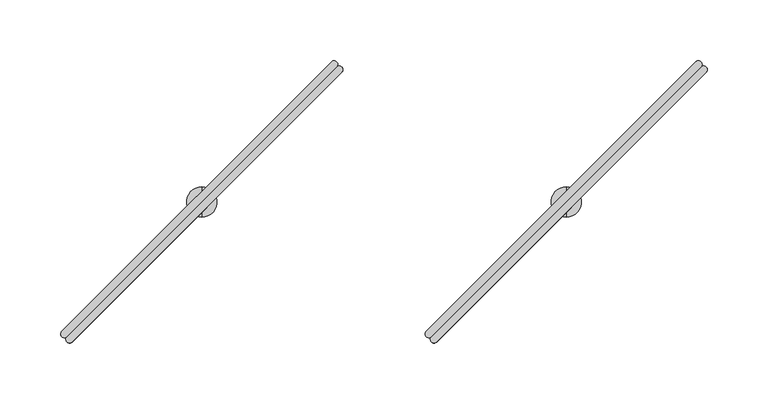
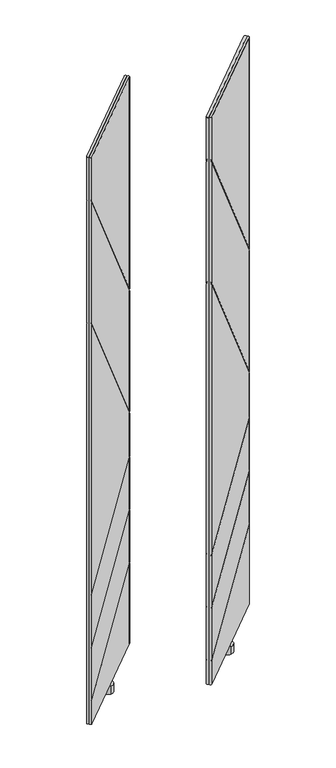
"""IFC4 building model written with IfcOpenShell, lengths in millimetres: furniture geometry."""

from ifc_helpers import new_model, si_unit, frame, origin, place, context, project, spatial, circle_curve, ellipse_curve, source, transform, mapped, element, save
from ifc_brep_helpers import plane_surface, cylinder_surface, advanced_brep


def furniture_7888ab4c(model_context):
    return source(origin(), model_context, "Body", "AdvancedBrep", [
        advanced_brep(
        [(489.0781344, -183.0476726, 1580.8579983), (711.0420147, 39.0094149, 1580.8579983), (706.8263161, 43.2234083, 1580.8579983), (484.81456, -178.7849606, 1580.8579983), (489.0781344, -183.0476726, 80.7339983), (484.81456, -178.7849606, 80.7339983), (706.8263161, 43.2234083, 80.7339983), (711.0420147, 39.0094149, 80.7339983), (484.81456, -178.7849606, 1465.6098628), (484.3106978, -182.380027, 1469.7173437), (484.3106978, -182.380027, 1464.166375), (484.81456, -178.7849606, 1460.0588941), (484.81456, -178.7849606, 1141.5813803), (484.3106978, -182.380027, 1145.6879231), (484.3106978, -182.380027, 1140.1378008), (484.81456, -178.7849606, 1136.031258), (484.81456, -178.7849606, 427.6020429), (484.3106978, -182.380027, 426.2337165), (484.3106978, -182.380027, 422.694591), (484.81456, -178.7849606, 424.0629174), (484.81456, -178.7849606, 287.4388163), (484.3106978, -182.380027, 286.0703439), (484.3106978, -182.380027, 282.5311496), (484.81456, -178.7849606, 283.899622), (484.81456, -178.7849606, 147.2371613), (484.3106978, -182.380027, 145.8687302), (484.3106978, -182.380027, 142.3295554), (484.81456, -178.7849606, 143.6979865), (706.8263161, 43.2234083, 1020.6632991), (706.8263161, 43.2234083, 291.9345147), (706.8263161, 43.2234083, 1015.1123304), (706.8263161, 43.2234083, 696.7364411), (706.8263161, 43.2234083, 691.1863188), (706.8263161, 43.2234083, 575.8272317), (706.8263161, 43.2234083, 572.2881062), (706.8263161, 43.2234083, 435.6798128), (706.8263161, 43.2234083, 432.1406185), (706.8263161, 43.2234083, 295.4736895), (710.3498612, 43.6591364, 293.2563217), (710.3498612, 43.6591364, 296.7954965), (710.3498612, 43.6591364, 433.4624654), (710.3498612, 43.6591364, 437.0016597), (710.3498612, 43.6591364, 573.6098121), (710.3498612, 43.6591364, 577.1489377), (710.3498612, 43.6591364, 687.2196908), (710.3498612, 43.6591364, 692.7698131), (710.3498612, 43.6591364, 1011.1447962), (710.3498612, 43.6591364, 1016.6957649)],
        [
            (0, 1),
            (1, 2, circle_curve(frame((708.8820345, 41.0642596, 1580.8579983), z_axis=(0.0, 0.0, 1.0), x_axis=(0.6892541380737184, 0.724519656840486, 0.0)), 2.9812584)),
            (2, 3),
            (3, 0, circle_curve(frame((486.9461154, -180.9165485, 1580.8579983), z_axis=(0.0, 0.0, 1.0), x_axis=(-0.7071121751659861, -0.7071013871659622, 0.0)), 3.0144975)),
            (4, 5, circle_curve(frame((486.9461154, -180.9165485, 80.7339983), z_axis=(0.0, 0.0, -1.0), x_axis=(-0.7071121751659861, -0.7071013871659622, 0.0)), 3.0144975)),
            (5, 6),
            (6, 7, circle_curve(frame((708.8820345, 41.0642596, 80.7339983), z_axis=(0.0, 0.0, -1.0), x_axis=(0.6892541380737184, 0.724519656840486, 0.0)), 2.9812584)),
            (7, 4),
            (3, 8),
            (8, 9, ellipse_curve(frame((486.9461154, -180.9165485, 1465.6098953), z_axis=(0.577750975804524, 0.5777509758045234, 0.576548020475174), x_axis=(-0.40768101495767617, -0.4076810149576757, 0.817063265657047)), 5.2285281, 3.0144975)),
            (9, 10),
            (10, 11, ellipse_curve(frame((486.9461154, -180.9165485, 1460.0589267), z_axis=(-0.577750975804524, -0.5777509758045234, -0.576548020475174), x_axis=(-0.40768101495767617, -0.4076810149576757, 0.817063265657047)), 5.2285281, 3.0144975)),
            (11, 12),
            (12, 13, ellipse_curve(frame((486.9461154, -180.9165485, 1141.5814129), z_axis=(0.5777071023563686, 0.577707102356368, 0.576635940411294), x_axis=(-0.4077431837407081, -0.4077431837407078, 0.8170012192316377)), 5.2277309, 3.0144975)),
            (13, 14),
            (14, 15, ellipse_curve(frame((486.9461154, -180.9165485, 1136.0312905), z_axis=(-0.5777071023563686, -0.5777071023563679, -0.5766359404112942), x_axis=(-0.40774318374070834, -0.40774318374070784, 0.8170012192316375)), 5.2277309, 3.0144975)),
            (15, 16),
            (16, 17, ellipse_curve(frame((486.9461154, -180.9165485, 427.6020321), z_axis=(-0.3018753516577264, -0.3018753516577261, 0.9042911832607062), x_axis=(0.6394304278508526, 0.6394304278508519, 0.42691621646050404)), 3.3335474, 3.0144975)),
            (17, 18),
            (18, 19, ellipse_curve(frame((486.9461154, -180.9165485, 424.0629066), z_axis=(0.3018753516577265, 0.30187535165772633, -0.9042911832607061), x_axis=(0.6394304278508526, 0.6394304278508522, 0.4269162164605042)), 3.3335474, 3.0144975)),
            (19, 20),
            (20, 21, ellipse_curve(frame((486.9461154, -180.9165485, 287.4388054), z_axis=(-0.3019016772725295, -0.3019016772725292, 0.9042736060065379), x_axis=(0.6394179988552356, 0.6394179988552351, 0.4269534465019956)), 3.3336122, 3.0144975)),
            (21, 22),
            (22, 23, ellipse_curve(frame((486.9461154, -180.9165485, 283.8996111), z_axis=(0.3019016772725295, 0.30190167727252887, -0.9042736060065379), x_axis=(0.639417998855236, 0.6394179988552348, 0.42695344650199585)), 3.3336122, 3.0144975)),
            (23, 24),
            (24, 25, ellipse_curve(frame((486.9461154, -180.9165485, 147.2371505), z_axis=(-0.30189423598003035, -0.30189423598003007, 0.9042785746461471), x_axis=(0.6394215122139965, 0.6394215122139959, 0.4269429229252227)), 3.3335939, 3.0144975)),
            (25, 26),
            (26, 27, ellipse_curve(frame((486.9461154, -180.9165485, 143.6979756), z_axis=(0.30189423598002996, 0.3018942359800298, -0.9042785746461475), x_axis=(0.6394215122139967, 0.6394215122139962, 0.4269429229252216)), 3.3335939, 3.0144975)),
            (27, 5),
            (4, 0),
            (2, 28),
            (28, 8),
            (27, 29),
            (29, 6),
            (11, 30),
            (30, 31),
            (31, 12),
            (15, 32),
            (32, 33),
            (33, 16),
            (19, 34),
            (34, 35),
            (35, 20),
            (23, 36),
            (36, 37),
            (37, 24),
            (1, 7),
            (29, 38, ellipse_curve(frame((708.8820345, 41.0642596, 291.8999843), z_axis=(0.30189423598002996, 0.3018942359800298, -0.9042785746461475), x_axis=(0.6394215122139967, 0.6394215122139962, 0.4269429229252216)), 3.2968362, 2.9812584)),
            (38, 39),
            (39, 37, ellipse_curve(frame((708.8820345, 41.0642596, 295.4391592), z_axis=(-0.30189423598003035, -0.30189423598003007, 0.9042785746461471), x_axis=(0.6394215122139965, 0.6394215122139959, 0.4269429229252227)), 3.2968362, 2.9812584)),
            (36, 40, ellipse_curve(frame((708.8820345, 41.0642596, 432.1060871), z_axis=(0.3019016772725295, 0.30190167727252887, -0.9042736060065379), x_axis=(0.639417998855236, 0.6394179988552348, 0.42695344650199585)), 3.2968543, 2.9812584)),
            (40, 41),
            (41, 35, ellipse_curve(frame((708.8820345, 41.0642596, 435.6452814), z_axis=(-0.3019016772725295, -0.3019016772725292, 0.9042736060065379), x_axis=(0.6394179988552356, 0.6394179988552351, 0.4269534465019956)), 3.2968543, 2.9812584)),
            (34, 42, ellipse_curve(frame((708.8820345, 41.0642596, 572.2535785), z_axis=(0.3018753516577265, 0.30187535165772633, -0.9042911832607061), x_axis=(0.6394304278508526, 0.6394304278508522, 0.4269162164605042)), 3.2967902, 2.9812584)),
            (42, 43),
            (43, 33, ellipse_curve(frame((708.8820345, 41.0642596, 575.7927041), z_axis=(-0.3018753516577264, -0.3018753516577261, 0.9042911832607062), x_axis=(0.6394304278508526, 0.6394304278508519, 0.42691621646050404)), 3.2967902, 2.9812584)),
            (32, 44, ellipse_curve(frame((708.8820345, 41.0642596, 691.2899413), z_axis=(-0.5777071023563686, -0.5777071023563679, -0.5766359404112942), x_axis=(-0.40774318374070834, -0.40774318374070784, 0.8170012192316375)), 5.1700876, 2.9812584)),
            (44, 45),
            (45, 31, ellipse_curve(frame((708.8820345, 41.0642596, 696.8400637), z_axis=(0.5777071023563686, 0.577707102356368, 0.576635940411294), x_axis=(-0.4077431837407081, -0.4077431837407078, 0.8170012192316377)), 5.1700876, 2.9812584)),
            (30, 46, ellipse_curve(frame((708.8820345, 41.0642596, 1015.2159766), z_axis=(-0.577750975804524, -0.5777509758045234, -0.576548020475174), x_axis=(-0.40768101495767617, -0.4076810149576757, 0.817063265657047)), 5.1708761, 2.9812584)),
            (46, 47),
            (47, 28, ellipse_curve(frame((708.8820345, 41.0642596, 1020.7669453), z_axis=(0.577750975804524, 0.5777509758045234, 0.576548020475174), x_axis=(-0.40768101495767617, -0.4076810149576757, 0.817063265657047)), 5.1708761, 2.9812584)),
            (46, 10),
            (9, 47),
            (44, 14),
            (13, 45),
            (17, 43),
            (42, 18),
            (40, 22),
            (21, 41),
            (38, 26),
            (25, 39),
        ],
        [
            plane_surface(frame((597.9402563, -69.8999525, 1580.8579983), z_axis=(0.0, 0.0, 1.0000000000000002), x_axis=(0.7069583324882522, 0.7072551987263367, 0.0))),
            plane_surface(frame((597.9402563, -69.8999525, 80.7339983), z_axis=(0.0, 0.0, -1.0000000000000002), x_axis=(0.7069583324882522, 0.7072551987263367, 0.0))),
            cylinder_surface(frame((486.9461154, -180.9165485, 80.7339983), z_axis=(0.0, 0.0, 1.0), x_axis=(-0.7071121751659861, -0.7071013871659622, 0.0)), 3.0144975),
            plane_surface(frame((595.8204381, -67.7807761, 80.7339983), z_axis=(-0.7071013871659615, 0.7071121751659868, 0.0), x_axis=(-0.7071121751659868, -0.7071013871659615, 0.0))),
            cylinder_surface(frame((708.8820345, 41.0642596, 80.7339983), z_axis=(0.0, 0.0, 1.0), x_axis=(0.6892541380737184, 0.724519656840486, 0.0)), 2.9812584),
            plane_surface(frame((600.0600746, -72.0191288, 80.7339983), z_axis=(0.7072551987263367, -0.7069583324882522, 0.0), x_axis=(0.7069583324882522, 0.7072551987263367, 0.0))),
            plane_surface(frame((724.7313456, 58.0406208, 1930.8164788), z_axis=(-0.7071067811865472, 0.707106781186548, 0.0), x_axis=(0.0, 0.0, 1.0))),
            plane_surface(frame((450.3464654, -176.8311325, 1498.1919696), z_axis=(-0.577750975804524, -0.5777509758045234, -0.576548020475174), x_axis=(0.7071067811865472, -0.7071067811865479, 0.0))),
            plane_surface(frame((704.9747821, 77.7971843, 982.3218141), z_axis=(0.577750975804524, 0.5777509758045234, 0.576548020475174), x_axis=(0.7071067811865472, -0.7071067811865479, 0.0))),
            plane_surface(frame((450.3464654, -176.8311325, 1174.1560454), z_axis=(-0.5777071023563686, -0.577707102356368, -0.576635940411294), x_axis=(0.7071067811865472, -0.7071067811865479, 0.0))),
            plane_surface(frame((704.9747821, 77.7971843, 658.4032918), z_axis=(0.5777071023563686, 0.5777071023563679, 0.5766359404112942), x_axis=(0.7071067811865471, -0.707106781186548, 0.0))),
            plane_surface(frame((704.9747821, 77.7971843, 583.2116212), z_axis=(-0.3018753516577265, -0.30187535165772633, 0.9042911832607061), x_axis=(0.7071067811865474, -0.7071067811865477, 0.0))),
            plane_surface(frame((450.3464654, -176.8311325, 416.7479554), z_axis=(0.30187535165772644, 0.30187535165772617, -0.9042911832607065), x_axis=(0.7071067811865472, -0.7071067811865479, 0.0))),
            plane_surface(frame((450.3464654, -176.8311325, 276.5835712), z_axis=(0.3019016772725295, 0.3019016772725292, -0.9042736060065379), x_axis=(0.7071067811865472, -0.7071067811865479, 0.0))),
            plane_surface(frame((704.9747821, 77.7971843, 443.0652984), z_axis=(-0.3019016772725295, -0.30190167727252887, 0.9042736060065379), x_axis=(0.7071067811865468, -0.7071067811865482, 0.0))),
            plane_surface(frame((450.3464654, -176.8311325, 136.3822435), z_axis=(0.3018942359800304, 0.3018942359800301, -0.9042785746461474), x_axis=(0.7071067811865472, -0.7071067811865479, 0.0))),
            plane_surface(frame((704.9747821, 77.7971843, 302.8588653), z_axis=(-0.30189423598002996, -0.3018942359800298, 0.9042785746461475), x_axis=(0.7071067811865474, -0.7071067811865477, 0.0))),
        ],
        [
            (0, [[1, 2, 3, 4]]),
            (1, [[5, 6, 7, 8]]),
            (2, [[-4, 9, 10, 11, 12, 13, 14, 15, 16, 17, 18, 19, 20, 21, 22, 23, 24, 25, 26, 27, 28, 29, -5, 30]]),
            (3, [[-3, 31, 32, -9]]),
            (3, [[-6, -29, 33, 34]]),
            (3, [[-13, 35, 36, 37]]),
            (3, [[-17, 38, 39, 40]]),
            (3, [[-21, 41, 42, 43]]),
            (3, [[-25, 44, 45, 46]]),
            (4, [[-2, 47, -7, -34, 48, 49, 50, -45, 51, 52, 53, -42, 54, 55, 56, -39, 57, 58, 59, -36, 60, 61, 62, -31]]),
            (5, [[-1, -30, -8, -47]]),
            (6, [[63, -11, 64, -61]]),
            (6, [[65, -15, 66, -58]]),
            (6, [[67, -55, 68, -19]]),
            (6, [[69, -23, 70, -52]]),
            (6, [[71, -27, 72, -49]]),
            (7, [[-64, -10, -32, -62]]),
            (8, [[-63, -60, -35, -12]]),
            (9, [[-66, -14, -37, -59]]),
            (10, [[-65, -57, -38, -16]]),
            (11, [[-68, -54, -41, -20]]),
            (12, [[-67, -18, -40, -56]]),
            (13, [[-70, -22, -43, -53]]),
            (14, [[-69, -51, -44, -24]]),
            (15, [[-72, -26, -46, -50]]),
            (16, [[-71, -48, -33, -28]]),
        ],
    ),
        advanced_brep(
        [(489.0388266, -183.0083649, 1580.8579983), (493.3015387, -187.2719392, 1580.8579983), (715.3099076, 34.7398168, 1580.8579983), (711.0959142, 38.9555155, 1580.8579983), (489.0388267, -183.0083649, 80.7339983), (711.0959142, 38.9555155, 80.7339983), (715.3099076, 34.7398168, 80.7339983), (493.3015387, -187.2719392, 80.7339983), (493.3015387, -187.2719392, 143.6979865), (489.7064723, -187.7758015, 142.3295554), (489.7064723, -187.7758015, 145.8687302), (493.3015387, -187.2719392, 147.2371613), (493.3015387, -187.2719392, 283.899622), (489.7064723, -187.7758015, 282.5311496), (489.7064723, -187.7758015, 286.0703439), (493.3015387, -187.2719392, 287.4388163), (493.3015387, -187.2719392, 424.0629174), (489.7064723, -187.7758015, 422.694591), (489.7064723, -187.7758015, 426.2337165), (493.3015387, -187.2719392, 427.6020429), (493.3015387, -187.2719392, 1136.031258), (489.7064723, -187.7758015, 1140.1378008), (489.7064723, -187.7758015, 1145.6879231), (493.3015387, -187.2719392, 1141.5813803), (493.3015387, -187.2719392, 1460.0588941), (489.7064723, -187.7758015, 1464.166375), (489.7064723, -187.7758015, 1469.7173437), (493.3015387, -187.2719392, 1465.6098628), (715.3099076, 34.7398168, 295.4736895), (715.3099076, 34.7398168, 432.1406185), (715.3099076, 34.7398168, 435.6798128), (715.3099076, 34.7398168, 572.2881062), (715.3099076, 34.7398168, 575.8272317), (715.3099076, 34.7398168, 691.1863188), (715.3099076, 34.7398168, 696.7364411), (715.3099076, 34.7398168, 1015.1123304), (715.3099076, 34.7398168, 1020.6632991), (715.3099076, 34.7398168, 291.9345147), (715.7456357, 38.263362, 1016.6957649), (715.7456357, 38.263362, 1011.1447962), (715.7456357, 38.263362, 692.7698131), (715.7456357, 38.263362, 687.2196908), (715.7456357, 38.263362, 577.1489377), (715.7456357, 38.263362, 573.6098121), (715.7456357, 38.263362, 437.0016597), (715.7456357, 38.263362, 433.4624654), (715.7456357, 38.263362, 296.7954965), (715.7456357, 38.263362, 293.2563217)],
        [
            (0, 1, circle_curve(frame((491.1699508, -185.1403839, 1580.8579983), z_axis=(0.0, 0.0, 1.0), x_axis=(-0.7072551987263337, -0.7069583324882551, 0.0)), 3.0144975)),
            (1, 2),
            (2, 3, circle_curve(frame((713.1507589, 36.7955352, 1580.8579983), z_axis=(0.0, 0.0, 1.0), x_axis=(0.6895472047235311, 0.7242407420588576, 0.0)), 2.9812584)),
            (3, 0),
            (4, 5),
            (5, 6, circle_curve(frame((713.1507589, 36.7955352, 80.7339983), z_axis=(0.0, 0.0, -1.0), x_axis=(0.6895472047235311, 0.7242407420588576, 0.0)), 2.9812584)),
            (6, 7),
            (7, 4, circle_curve(frame((491.1699508, -185.1403839, 80.7339983), z_axis=(0.0, 0.0, -1.0), x_axis=(-0.7072551987263337, -0.7069583324882551, 0.0)), 3.0144975)),
            (0, 4),
            (7, 8),
            (8, 9, ellipse_curve(frame((491.1699508, -185.1403839, 143.6979756), z_axis=(0.3018942359800301, 0.3018942359800296, -0.9042785746461475), x_axis=(0.6394215122139969, 0.6394215122139959, 0.4269429229252216)), 3.3335939, 3.0144975)),
            (9, 10),
            (10, 11, ellipse_curve(frame((491.1699508, -185.1403839, 147.2371505), z_axis=(-0.30189423598003046, -0.3018942359800299, 0.9042785746461472), x_axis=(0.639421512213997, 0.6394215122139958, 0.42694292292522235)), 3.3335939, 3.0144975)),
            (11, 12),
            (12, 13, ellipse_curve(frame((491.1699508, -185.1403839, 283.8996111), z_axis=(0.3019016772725294, 0.3019016772725289, -0.9042736060065379), x_axis=(0.6394179988552359, 0.6394179988552348, 0.4269534465019958)), 3.3336122, 3.0144975)),
            (13, 14),
            (14, 15, ellipse_curve(frame((491.1699508, -185.1403839, 287.4388054), z_axis=(-0.30190167727252964, -0.3019016772725291, 0.9042736060065377), x_axis=(0.6394179988552356, 0.6394179988552345, 0.42695344650199624)), 3.3336122, 3.0144975)),
            (15, 16),
            (16, 17, ellipse_curve(frame((491.1699508, -185.1403839, 424.0629066), z_axis=(0.3018753516577267, 0.3018753516577262, -0.9042911832607062), x_axis=(0.6394304278508529, 0.6394304278508518, 0.42691621646050376)), 3.3335474, 3.0144975)),
            (17, 18),
            (18, 19, ellipse_curve(frame((491.1699508, -185.1403839, 427.6020321), z_axis=(-0.3018753516577265, -0.30187535165772594, 0.9042911832607062), x_axis=(0.6394304278508529, 0.6394304278508517, 0.42691621646050404)), 3.3335474, 3.0144975)),
            (19, 20),
            (20, 21, ellipse_curve(frame((491.1699508, -185.1403839, 1136.0312905), z_axis=(-0.5777071023563687, -0.5777071023563677, -0.5766359404112942), x_axis=(-0.40774318374070845, -0.4077431837407077, 0.8170012192316376)), 5.2277309, 3.0144975)),
            (21, 22),
            (22, 23, ellipse_curve(frame((491.1699508, -185.1403839, 1141.5814129), z_axis=(0.5777071023563689, 0.5777071023563678, 0.576635940411294), x_axis=(-0.4077431837407084, -0.40774318374070756, 0.8170012192316377)), 5.2277309, 3.0144975)),
            (23, 24),
            (24, 25, ellipse_curve(frame((491.1699508, -185.1403839, 1460.0589267), z_axis=(-0.5777509758045232, -0.5777509758045242, -0.5765480204751738), x_axis=(-0.40768101495767556, -0.4076810149576762, 0.8170632656570472)), 5.2285281, 3.0144975)),
            (25, 26),
            (26, 27, ellipse_curve(frame((491.1699508, -185.1403839, 1465.6098953), z_axis=(0.5777509758045243, 0.5777509758045233, 0.5765480204751738), x_axis=(-0.4076810149576763, -0.4076810149576756, 0.8170632656570472)), 5.2285281, 3.0144975)),
            (27, 1),
            (11, 28),
            (28, 29),
            (29, 12),
            (15, 30),
            (30, 31),
            (31, 16),
            (19, 32),
            (32, 33),
            (33, 20),
            (23, 34),
            (34, 35),
            (35, 24),
            (27, 36),
            (36, 2),
            (6, 37),
            (37, 8),
            (36, 38, ellipse_curve(frame((713.1507589, 36.7955352, 1020.7669453), z_axis=(0.5777509758045243, 0.5777509758045233, 0.5765480204751738), x_axis=(-0.4076810149576763, -0.4076810149576756, 0.8170632656570472)), 5.1708761, 2.9812584)),
            (38, 39),
            (39, 35, ellipse_curve(frame((713.1507589, 36.7955352, 1015.2159766), z_axis=(-0.5777509758045232, -0.5777509758045242, -0.5765480204751738), x_axis=(-0.40768101495767556, -0.4076810149576762, 0.8170632656570472)), 5.1708761, 2.9812584)),
            (34, 40, ellipse_curve(frame((713.1507589, 36.7955352, 696.8400637), z_axis=(0.5777071023563689, 0.5777071023563678, 0.576635940411294), x_axis=(-0.4077431837407084, -0.40774318374070756, 0.8170012192316377)), 5.1700876, 2.9812584)),
            (40, 41),
            (41, 33, ellipse_curve(frame((713.1507589, 36.7955352, 691.2899413), z_axis=(-0.5777071023563687, -0.5777071023563677, -0.5766359404112942), x_axis=(-0.40774318374070845, -0.4077431837407077, 0.8170012192316376)), 5.1700876, 2.9812584)),
            (32, 42, ellipse_curve(frame((713.1507589, 36.7955352, 575.7927041), z_axis=(-0.3018753516577265, -0.30187535165772594, 0.9042911832607062), x_axis=(0.6394304278508529, 0.6394304278508517, 0.42691621646050404)), 3.2967902, 2.9812584)),
            (42, 43),
            (43, 31, ellipse_curve(frame((713.1507589, 36.7955352, 572.2535785), z_axis=(0.3018753516577267, 0.3018753516577262, -0.9042911832607062), x_axis=(0.6394304278508529, 0.6394304278508518, 0.42691621646050376)), 3.2967902, 2.9812584)),
            (30, 44, ellipse_curve(frame((713.1507589, 36.7955352, 435.6452814), z_axis=(-0.30190167727252964, -0.3019016772725291, 0.9042736060065377), x_axis=(0.6394179988552356, 0.6394179988552345, 0.42695344650199624)), 3.2968543, 2.9812584)),
            (44, 45),
            (45, 29, ellipse_curve(frame((713.1507589, 36.7955352, 432.1060871), z_axis=(0.3019016772725294, 0.3019016772725289, -0.9042736060065379), x_axis=(0.6394179988552359, 0.6394179988552348, 0.4269534465019958)), 3.2968543, 2.9812584)),
            (28, 46, ellipse_curve(frame((713.1507589, 36.7955352, 295.4391592), z_axis=(-0.30189423598003046, -0.3018942359800299, 0.9042785746461472), x_axis=(0.639421512213997, 0.6394215122139958, 0.42694292292522235)), 3.2968362, 2.9812584)),
            (46, 47),
            (47, 37, ellipse_curve(frame((713.1507589, 36.7955352, 291.8999843), z_axis=(0.3018942359800301, 0.3018942359800296, -0.9042785746461475), x_axis=(0.6394215122139969, 0.6394215122139959, 0.4269429229252216)), 3.2968362, 2.9812584)),
            (5, 3),
            (38, 26),
            (25, 39),
            (40, 22),
            (21, 41),
            (17, 43),
            (42, 18),
            (44, 14),
            (13, 45),
            (46, 10),
            (9, 47),
        ],
        [
            plane_surface(frame((602.1865468, -74.146243, 1580.8579983), z_axis=(0.0, 0.0, 1.0000000000000002), x_axis=(-0.7072551987263422, -0.7069583324882467, 0.0))),
            plane_surface(frame((602.1865468, -74.146243, 80.7339983), z_axis=(0.0, 0.0, -1.0000000000000002), x_axis=(-0.7072551987263422, -0.7069583324882467, 0.0))),
            cylinder_surface(frame((491.1699508, -185.1403839, 80.7339983), z_axis=(0.0, 0.0, 1.0), x_axis=(-0.7072551987263337, -0.7069583324882551, 0.0)), 3.0144975),
            plane_surface(frame((604.3057231, -76.2660612, 80.7339983), z_axis=(0.7071121751659858, -0.7071013871659624, 0.0), x_axis=(0.7071013871659624, 0.7071121751659858, 0.0))),
            cylinder_surface(frame((713.1507589, 36.7955352, 80.7339983), z_axis=(0.0, 0.0, 1.0), x_axis=(0.6895472047235311, 0.7242407420588576, 0.0)), 2.9812584),
            plane_surface(frame((600.0673705, -72.0264247, 80.7339983), z_axis=(-0.7069583324882512, 0.7072551987263376, 0.0), x_axis=(-0.7072551987263376, -0.7069583324882512, 0.0))),
            plane_surface(frame((700.8281536, 23.3458798, 1046.5929792), z_axis=(0.7071067811865471, -0.7071067811865481, 0.0), x_axis=(0.40768101495767617, 0.40768101495767556, -0.8170632656570473))),
            plane_surface(frame((749.8836836, 32.8882829, 987.8727828), z_axis=(-0.5777509758045242, -0.5777509758045232, -0.5765480204751737), x_axis=(-0.7071067811865469, 0.7071067811865481, 0.0))),
            plane_surface(frame((495.2553668, -221.7400339, 1492.6410009), z_axis=(0.5777509758045232, 0.5777509758045242, 0.5765480204751738), x_axis=(-0.7071067811865481, 0.7071067811865469, 0.0))),
            plane_surface(frame((749.8836836, 32.8882829, 663.9534141), z_axis=(-0.5777071023563689, -0.5777071023563678, -0.576635940411294), x_axis=(-0.7071067811865469, 0.7071067811865482, 0.0))),
            plane_surface(frame((495.2553668, -221.7400339, 1168.6059231), z_axis=(0.5777071023563687, 0.5777071023563677, 0.5766359404112942), x_axis=(-0.7071067811865469, 0.7071067811865481, 0.0))),
            plane_surface(frame((495.2553668, -221.7400339, 413.2088299), z_axis=(-0.3018753516577267, -0.3018753516577262, 0.9042911832607062), x_axis=(-0.7071067811865469, 0.7071067811865481, 0.0))),
            plane_surface(frame((749.8836836, 32.8882829, 586.7507468), z_axis=(0.30187535165772655, 0.301875351657726, -0.9042911832607065), x_axis=(-0.7071067811865469, 0.7071067811865482, 0.0))),
            plane_surface(frame((749.8836836, 32.8882829, 446.6044928), z_axis=(0.3019016772725297, 0.30190167727252915, -0.9042736060065379), x_axis=(-0.7071067811865469, 0.7071067811865482, 0.0))),
            plane_surface(frame((495.2553668, -221.7400339, 273.0443769), z_axis=(-0.3019016772725294, -0.3019016772725289, 0.9042736060065379), x_axis=(-0.7071067811865469, 0.7071067811865481, 0.0))),
            plane_surface(frame((749.8836836, 32.8882829, 306.3980402), z_axis=(0.3018942359800305, 0.30189423598002996, -0.9042785746461475), x_axis=(-0.7071067811865469, 0.7071067811865482, 0.0))),
            plane_surface(frame((495.2553668, -221.7400339, 132.8430686), z_axis=(-0.3018942359800301, -0.3018942359800296, 0.9042785746461475), x_axis=(-0.7071067811865469, 0.7071067811865481, 0.0))),
        ],
        [
            (0, [[1, 2, 3, 4]]),
            (1, [[5, 6, 7, 8]]),
            (2, [[-1, 9, -8, 10, 11, 12, 13, 14, 15, 16, 17, 18, 19, 20, 21, 22, 23, 24, 25, 26, 27, 28, 29, 30]]),
            (3, [[-14, 31, 32, 33]]),
            (3, [[-18, 34, 35, 36]]),
            (3, [[-22, 37, 38, 39]]),
            (3, [[-26, 40, 41, 42]]),
            (3, [[-2, -30, 43, 44]]),
            (3, [[-7, 45, 46, -10]]),
            (4, [[-3, -44, 47, 48, 49, -41, 50, 51, 52, -38, 53, 54, 55, -35, 56, 57, 58, -32, 59, 60, 61, -45, -6, 62]]),
            (5, [[-4, -62, -5, -9]]),
            (6, [[63, -28, 64, -48]]),
            (6, [[65, -24, 66, -51]]),
            (6, [[67, -54, 68, -20]]),
            (6, [[69, -16, 70, -57]]),
            (6, [[71, -12, 72, -60]]),
            (7, [[-63, -47, -43, -29]]),
            (8, [[-64, -27, -42, -49]]),
            (9, [[-65, -50, -40, -25]]),
            (10, [[-66, -23, -39, -52]]),
            (11, [[-67, -19, -36, -55]]),
            (12, [[-68, -53, -37, -21]]),
            (13, [[-69, -56, -34, -17]]),
            (14, [[-70, -15, -33, -58]]),
            (15, [[-71, -59, -31, -13]]),
            (16, [[-72, -11, -46, -61]]),
        ],
    ),
        advanced_brep(
        [(599.9988, -84.5709522, 80.7339983), (599.9988, -59.5748171, 80.7339983), (599.9988, -59.5748171, 59.9975986), (599.9988, -84.5709522, 59.9975986), (599.9988, -72.0728847, 80.7339983), (599.9988, -72.0728847, 59.9975986)],
        [
            (0, 1, circle_curve(frame((599.9988, -72.0728847, 80.7339983), z_axis=(0.0, 0.0, -1.0), x_axis=(0.0, 1.0, 0.0)), 12.4980675)),
            (1, 2),
            (2, 3, circle_curve(frame((599.9988, -72.0728847, 59.9975986), z_axis=(0.0, 0.0, 1.0), x_axis=(0.0, 1.0, 0.0)), 12.4980675)),
            (3, 0),
            (4, 1),
            (0, 4),
            (0, 1, circle_curve(frame((599.9988, -72.0728847, 80.7339983), z_axis=(0.0, 0.0, 1.0), x_axis=(0.0, 1.0, 0.0)), 12.4980675)),
            (2, 5),
            (5, 3),
            (2, 3, circle_curve(frame((599.9988, -72.0728847, 59.9975986), z_axis=(0.0, 0.0, -1.0), x_axis=(0.0, 1.0, 0.0)), 12.4980675)),
        ],
        [
            cylinder_surface(frame((599.9988, -72.0728847, 88.2747758), z_axis=(0.0, 0.0, 1.0), x_axis=(0.0, 1.0, 0.0)), 12.4980675),
            plane_surface(frame((599.9988, -72.0728847, 80.7339983), z_axis=(0.0, 0.0, 1.0), x_axis=(0.0, 1.0, 0.0))),
            plane_surface(frame((599.9988, -72.0728847, 59.9975986), z_axis=(0.0, 0.0, -1.0), x_axis=(0.0, 1.0, 0.0))),
        ],
        [
            (0, [[1, 2, 3, 4]]),
            (1, [[5, -1, 6]]),
            (1, [[-6, 7, -5]]),
            (2, [[-3, 8, 9]]),
            (2, [[10, -9, -8]]),
            (0, [[-7, -4, -10, -2]]),
        ],
    ),
        advanced_brep(
        [(189.0787344, -183.0476726, 1580.8579983), (411.0426147, 39.0094149, 1580.8579983), (406.8269161, 43.2234083, 1580.8579983), (184.81516, -178.7849606, 1580.8579983), (189.0787344, -183.0476726, 80.7339983), (184.81516, -178.7849606, 80.7339983), (406.8269161, 43.2234083, 80.7339983), (411.0426147, 39.0094149, 80.7339983), (184.81516, -178.7849606, 1465.6098628), (184.3112978, -182.380027, 1469.7173437), (184.3112978, -182.380027, 1464.166375), (184.81516, -178.7849606, 1460.0588941), (184.81516, -178.7849606, 1141.5813803), (184.3112978, -182.380027, 1145.6879231), (184.3112978, -182.380027, 1140.1378008), (184.81516, -178.7849606, 1136.031258), (184.81516, -178.7849606, 427.6020429), (184.3112978, -182.380027, 426.2337165), (184.3112978, -182.380027, 422.694591), (184.81516, -178.7849606, 424.0629174), (184.81516, -178.7849606, 287.4388163), (184.3112978, -182.380027, 286.0703439), (184.3112978, -182.380027, 282.5311496), (184.81516, -178.7849606, 283.899622), (184.81516, -178.7849606, 147.2371613), (184.3112978, -182.380027, 145.8687302), (184.3112978, -182.380027, 142.3295554), (184.81516, -178.7849606, 143.6979865), (406.8269161, 43.2234083, 1020.6632991), (406.8269161, 43.2234083, 291.9345147), (406.8269161, 43.2234083, 1015.1123304), (406.8269161, 43.2234083, 696.7364411), (406.8269161, 43.2234083, 691.1863188), (406.8269161, 43.2234083, 575.8272317), (406.8269161, 43.2234083, 572.2881062), (406.8269161, 43.2234083, 435.6798128), (406.8269161, 43.2234083, 432.1406185), (406.8269161, 43.2234083, 295.4736895), (410.3504612, 43.6591364, 293.2563217), (410.3504612, 43.6591364, 296.7954965), (410.3504612, 43.6591364, 433.4624654), (410.3504612, 43.6591364, 437.0016597), (410.3504612, 43.6591364, 573.6098121), (410.3504612, 43.6591364, 577.1489377), (410.3504612, 43.6591364, 687.2196908), (410.3504612, 43.6591364, 692.7698131), (410.3504612, 43.6591364, 1011.1447962), (410.3504612, 43.6591364, 1016.6957649)],
        [
            (0, 1),
            (1, 2, circle_curve(frame((408.8826345, 41.0642596, 1580.8579983), z_axis=(0.0, 0.0, 1.0), x_axis=(0.6892541380737184, 0.724519656840486, 0.0)), 2.9812584)),
            (2, 3),
            (3, 0, circle_curve(frame((186.9467154, -180.9165485, 1580.8579983), z_axis=(0.0, 0.0, 1.0), x_axis=(-0.7071121751659861, -0.7071013871659622, 0.0)), 3.0144975)),
            (4, 5, circle_curve(frame((186.9467154, -180.9165485, 80.7339983), z_axis=(0.0, 0.0, -1.0), x_axis=(-0.7071121751659861, -0.7071013871659622, 0.0)), 3.0144975)),
            (5, 6),
            (6, 7, circle_curve(frame((408.8826345, 41.0642596, 80.7339983), z_axis=(0.0, 0.0, -1.0), x_axis=(0.6892541380737184, 0.724519656840486, 0.0)), 2.9812584)),
            (7, 4),
            (3, 8),
            (8, 9, ellipse_curve(frame((186.9467154, -180.9165485, 1465.6098953), z_axis=(0.577750975804524, 0.5777509758045234, 0.576548020475174), x_axis=(-0.40768101495767617, -0.4076810149576757, 0.817063265657047)), 5.2285281, 3.0144975)),
            (9, 10),
            (10, 11, ellipse_curve(frame((186.9467154, -180.9165485, 1460.0589267), z_axis=(-0.577750975804524, -0.5777509758045234, -0.576548020475174), x_axis=(-0.40768101495767617, -0.4076810149576757, 0.817063265657047)), 5.2285281, 3.0144975)),
            (11, 12),
            (12, 13, ellipse_curve(frame((186.9467154, -180.9165485, 1141.5814129), z_axis=(0.5777071023563686, 0.577707102356368, 0.576635940411294), x_axis=(-0.4077431837407081, -0.4077431837407078, 0.8170012192316377)), 5.2277309, 3.0144975)),
            (13, 14),
            (14, 15, ellipse_curve(frame((186.9467154, -180.9165485, 1136.0312905), z_axis=(-0.5777071023563686, -0.5777071023563679, -0.5766359404112942), x_axis=(-0.40774318374070834, -0.40774318374070784, 0.8170012192316375)), 5.2277309, 3.0144975)),
            (15, 16),
            (16, 17, ellipse_curve(frame((186.9467154, -180.9165485, 427.6020321), z_axis=(-0.3018753516577264, -0.3018753516577261, 0.9042911832607062), x_axis=(0.6394304278508526, 0.6394304278508519, 0.42691621646050404)), 3.3335474, 3.0144975)),
            (17, 18),
            (18, 19, ellipse_curve(frame((186.9467154, -180.9165485, 424.0629066), z_axis=(0.3018753516577265, 0.30187535165772633, -0.9042911832607061), x_axis=(0.6394304278508526, 0.6394304278508522, 0.4269162164605042)), 3.3335474, 3.0144975)),
            (19, 20),
            (20, 21, ellipse_curve(frame((186.9467154, -180.9165485, 287.4388054), z_axis=(-0.3019016772725295, -0.3019016772725292, 0.9042736060065379), x_axis=(0.6394179988552356, 0.6394179988552351, 0.4269534465019956)), 3.3336122, 3.0144975)),
            (21, 22),
            (22, 23, ellipse_curve(frame((186.9467154, -180.9165485, 283.8996111), z_axis=(0.3019016772725295, 0.30190167727252887, -0.9042736060065379), x_axis=(0.639417998855236, 0.6394179988552348, 0.42695344650199585)), 3.3336122, 3.0144975)),
            (23, 24),
            (24, 25, ellipse_curve(frame((186.9467154, -180.9165485, 147.2371505), z_axis=(-0.30189423598003035, -0.30189423598003007, 0.9042785746461471), x_axis=(0.6394215122139965, 0.6394215122139959, 0.4269429229252227)), 3.3335939, 3.0144975)),
            (25, 26),
            (26, 27, ellipse_curve(frame((186.9467154, -180.9165485, 143.6979756), z_axis=(0.30189423598002996, 0.3018942359800298, -0.9042785746461475), x_axis=(0.6394215122139967, 0.6394215122139962, 0.4269429229252216)), 3.3335939, 3.0144975)),
            (27, 5),
            (4, 0),
            (2, 28),
            (28, 8),
            (27, 29),
            (29, 6),
            (11, 30),
            (30, 31),
            (31, 12),
            (15, 32),
            (32, 33),
            (33, 16),
            (19, 34),
            (34, 35),
            (35, 20),
            (23, 36),
            (36, 37),
            (37, 24),
            (1, 7),
            (29, 38, ellipse_curve(frame((408.8826345, 41.0642596, 291.8999843), z_axis=(0.30189423598002996, 0.3018942359800298, -0.9042785746461475), x_axis=(0.6394215122139967, 0.6394215122139962, 0.4269429229252216)), 3.2968362, 2.9812584)),
            (38, 39),
            (39, 37, ellipse_curve(frame((408.8826345, 41.0642596, 295.4391592), z_axis=(-0.30189423598003035, -0.30189423598003007, 0.9042785746461471), x_axis=(0.6394215122139965, 0.6394215122139959, 0.4269429229252227)), 3.2968362, 2.9812584)),
            (36, 40, ellipse_curve(frame((408.8826345, 41.0642596, 432.1060871), z_axis=(0.3019016772725295, 0.30190167727252887, -0.9042736060065379), x_axis=(0.639417998855236, 0.6394179988552348, 0.42695344650199585)), 3.2968543, 2.9812584)),
            (40, 41),
            (41, 35, ellipse_curve(frame((408.8826345, 41.0642596, 435.6452814), z_axis=(-0.3019016772725295, -0.3019016772725292, 0.9042736060065379), x_axis=(0.6394179988552356, 0.6394179988552351, 0.4269534465019956)), 3.2968543, 2.9812584)),
            (34, 42, ellipse_curve(frame((408.8826345, 41.0642596, 572.2535785), z_axis=(0.3018753516577265, 0.30187535165772633, -0.9042911832607061), x_axis=(0.6394304278508526, 0.6394304278508522, 0.4269162164605042)), 3.2967902, 2.9812584)),
            (42, 43),
            (43, 33, ellipse_curve(frame((408.8826345, 41.0642596, 575.7927041), z_axis=(-0.3018753516577264, -0.3018753516577261, 0.9042911832607062), x_axis=(0.6394304278508526, 0.6394304278508519, 0.42691621646050404)), 3.2967902, 2.9812584)),
            (32, 44, ellipse_curve(frame((408.8826345, 41.0642596, 691.2899413), z_axis=(-0.5777071023563686, -0.5777071023563679, -0.5766359404112942), x_axis=(-0.40774318374070834, -0.40774318374070784, 0.8170012192316375)), 5.1700876, 2.9812584)),
            (44, 45),
            (45, 31, ellipse_curve(frame((408.8826345, 41.0642596, 696.8400637), z_axis=(0.5777071023563686, 0.577707102356368, 0.576635940411294), x_axis=(-0.4077431837407081, -0.4077431837407078, 0.8170012192316377)), 5.1700876, 2.9812584)),
            (30, 46, ellipse_curve(frame((408.8826345, 41.0642596, 1015.2159766), z_axis=(-0.577750975804524, -0.5777509758045234, -0.576548020475174), x_axis=(-0.40768101495767617, -0.4076810149576757, 0.817063265657047)), 5.1708761, 2.9812584)),
            (46, 47),
            (47, 28, ellipse_curve(frame((408.8826345, 41.0642596, 1020.7669453), z_axis=(0.577750975804524, 0.5777509758045234, 0.576548020475174), x_axis=(-0.40768101495767617, -0.4076810149576757, 0.817063265657047)), 5.1708761, 2.9812584)),
            (46, 10),
            (9, 47),
            (44, 14),
            (13, 45),
            (17, 43),
            (42, 18),
            (40, 22),
            (21, 41),
            (38, 26),
            (25, 39),
        ],
        [
            plane_surface(frame((297.9408563, -69.8999525, 1580.8579983), z_axis=(0.0, 0.0, 1.0000000000000002), x_axis=(0.7069583324882522, 0.7072551987263367, 0.0))),
            plane_surface(frame((297.9408563, -69.8999525, 80.7339983), z_axis=(0.0, 0.0, -1.0000000000000002), x_axis=(0.7069583324882522, 0.7072551987263367, 0.0))),
            cylinder_surface(frame((186.9467154, -180.9165485, 80.7339983), z_axis=(0.0, 0.0, 1.0), x_axis=(-0.7071121751659861, -0.7071013871659622, 0.0)), 3.0144975),
            plane_surface(frame((295.8210381, -67.7807761, 80.7339983), z_axis=(-0.7071013871659615, 0.7071121751659868, 0.0), x_axis=(-0.7071121751659868, -0.7071013871659615, 0.0))),
            cylinder_surface(frame((408.8826345, 41.0642596, 80.7339983), z_axis=(0.0, 0.0, 1.0), x_axis=(0.6892541380737184, 0.724519656840486, 0.0)), 2.9812584),
            plane_surface(frame((300.0606746, -72.0191288, 80.7339983), z_axis=(0.7072551987263367, -0.7069583324882522, 0.0), x_axis=(0.7069583324882522, 0.7072551987263367, 0.0))),
            plane_surface(frame((424.7319456, 58.0406208, 1930.8164788), z_axis=(-0.7071067811865472, 0.707106781186548, 0.0), x_axis=(0.0, 0.0, 1.0))),
            plane_surface(frame((150.3470654, -176.8311325, 1498.1919696), z_axis=(-0.577750975804524, -0.5777509758045234, -0.576548020475174), x_axis=(0.7071067811865472, -0.7071067811865479, 0.0))),
            plane_surface(frame((404.9753821, 77.7971843, 982.3218141), z_axis=(0.577750975804524, 0.5777509758045234, 0.576548020475174), x_axis=(0.7071067811865472, -0.7071067811865479, 0.0))),
            plane_surface(frame((150.3470654, -176.8311325, 1174.1560454), z_axis=(-0.5777071023563686, -0.577707102356368, -0.576635940411294), x_axis=(0.7071067811865472, -0.7071067811865479, 0.0))),
            plane_surface(frame((404.9753821, 77.7971843, 658.4032918), z_axis=(0.5777071023563686, 0.5777071023563679, 0.5766359404112942), x_axis=(0.7071067811865471, -0.707106781186548, 0.0))),
            plane_surface(frame((404.9753821, 77.7971843, 583.2116212), z_axis=(-0.3018753516577265, -0.30187535165772633, 0.9042911832607061), x_axis=(0.7071067811865474, -0.7071067811865477, 0.0))),
            plane_surface(frame((150.3470654, -176.8311325, 416.7479554), z_axis=(0.30187535165772644, 0.30187535165772617, -0.9042911832607065), x_axis=(0.7071067811865472, -0.7071067811865479, 0.0))),
            plane_surface(frame((150.3470654, -176.8311325, 276.5835712), z_axis=(0.3019016772725295, 0.3019016772725292, -0.9042736060065379), x_axis=(0.7071067811865472, -0.7071067811865479, 0.0))),
            plane_surface(frame((404.9753821, 77.7971843, 443.0652984), z_axis=(-0.3019016772725295, -0.30190167727252887, 0.9042736060065379), x_axis=(0.7071067811865468, -0.7071067811865482, 0.0))),
            plane_surface(frame((150.3470654, -176.8311325, 136.3822435), z_axis=(0.3018942359800304, 0.3018942359800301, -0.9042785746461474), x_axis=(0.7071067811865472, -0.7071067811865479, 0.0))),
            plane_surface(frame((404.9753821, 77.7971843, 302.8588653), z_axis=(-0.30189423598002996, -0.3018942359800298, 0.9042785746461475), x_axis=(0.7071067811865474, -0.7071067811865477, 0.0))),
        ],
        [
            (0, [[1, 2, 3, 4]]),
            (1, [[5, 6, 7, 8]]),
            (2, [[-4, 9, 10, 11, 12, 13, 14, 15, 16, 17, 18, 19, 20, 21, 22, 23, 24, 25, 26, 27, 28, 29, -5, 30]]),
            (3, [[-3, 31, 32, -9]]),
            (3, [[-6, -29, 33, 34]]),
            (3, [[-13, 35, 36, 37]]),
            (3, [[-17, 38, 39, 40]]),
            (3, [[-21, 41, 42, 43]]),
            (3, [[-25, 44, 45, 46]]),
            (4, [[-2, 47, -7, -34, 48, 49, 50, -45, 51, 52, 53, -42, 54, 55, 56, -39, 57, 58, 59, -36, 60, 61, 62, -31]]),
            (5, [[-1, -30, -8, -47]]),
            (6, [[63, -11, 64, -61]]),
            (6, [[65, -15, 66, -58]]),
            (6, [[67, -55, 68, -19]]),
            (6, [[69, -23, 70, -52]]),
            (6, [[71, -27, 72, -49]]),
            (7, [[-64, -10, -32, -62]]),
            (8, [[-63, -60, -35, -12]]),
            (9, [[-66, -14, -37, -59]]),
            (10, [[-65, -57, -38, -16]]),
            (11, [[-68, -54, -41, -20]]),
            (12, [[-67, -18, -40, -56]]),
            (13, [[-70, -22, -43, -53]]),
            (14, [[-69, -51, -44, -24]]),
            (15, [[-72, -26, -46, -50]]),
            (16, [[-71, -48, -33, -28]]),
        ],
    ),
        advanced_brep(
        [(189.0394266, -183.0083649, 1580.8579983), (193.3021387, -187.2719392, 1580.8579983), (415.3105076, 34.7398168, 1580.8579983), (411.0965142, 38.9555155, 1580.8579983), (189.0394267, -183.0083649, 80.7339983), (411.0965142, 38.9555155, 80.7339983), (415.3105076, 34.7398168, 80.7339983), (193.3021387, -187.2719392, 80.7339983), (193.3021387, -187.2719392, 143.6979865), (189.7070723, -187.7758015, 142.3295554), (189.7070723, -187.7758015, 145.8687302), (193.3021387, -187.2719392, 147.2371613), (193.3021387, -187.2719392, 283.899622), (189.7070723, -187.7758015, 282.5311496), (189.7070723, -187.7758015, 286.0703439), (193.3021387, -187.2719392, 287.4388163), (193.3021387, -187.2719392, 424.0629174), (189.7070723, -187.7758015, 422.694591), (189.7070723, -187.7758015, 426.2337165), (193.3021387, -187.2719392, 427.6020429), (193.3021387, -187.2719392, 1136.031258), (189.7070723, -187.7758015, 1140.1378008), (189.7070723, -187.7758015, 1145.6879231), (193.3021387, -187.2719392, 1141.5813803), (193.3021387, -187.2719392, 1460.0588941), (189.7070723, -187.7758015, 1464.166375), (189.7070723, -187.7758015, 1469.7173437), (193.3021387, -187.2719392, 1465.6098628), (415.3105076, 34.7398168, 295.4736895), (415.3105076, 34.7398168, 432.1406185), (415.3105076, 34.7398168, 435.6798128), (415.3105076, 34.7398168, 572.2881062), (415.3105076, 34.7398168, 575.8272317), (415.3105076, 34.7398168, 691.1863188), (415.3105076, 34.7398168, 696.7364411), (415.3105076, 34.7398168, 1015.1123304), (415.3105076, 34.7398168, 1020.6632991), (415.3105076, 34.7398168, 291.9345147), (415.7462357, 38.263362, 1016.6957649), (415.7462357, 38.263362, 1011.1447962), (415.7462357, 38.263362, 692.7698131), (415.7462357, 38.263362, 687.2196908), (415.7462357, 38.263362, 577.1489377), (415.7462357, 38.263362, 573.6098121), (415.7462357, 38.263362, 437.0016597), (415.7462357, 38.263362, 433.4624654), (415.7462357, 38.263362, 296.7954965), (415.7462357, 38.263362, 293.2563217)],
        [
            (0, 1, circle_curve(frame((191.1705508, -185.1403839, 1580.8579983), z_axis=(0.0, 0.0, 1.0), x_axis=(-0.7072551987263337, -0.7069583324882551, 0.0)), 3.0144975)),
            (1, 2),
            (2, 3, circle_curve(frame((413.1513589, 36.7955352, 1580.8579983), z_axis=(0.0, 0.0, 1.0), x_axis=(0.6895472047235311, 0.7242407420588576, 0.0)), 2.9812584)),
            (3, 0),
            (4, 5),
            (5, 6, circle_curve(frame((413.1513589, 36.7955352, 80.7339983), z_axis=(0.0, 0.0, -1.0), x_axis=(0.6895472047235311, 0.7242407420588576, 0.0)), 2.9812584)),
            (6, 7),
            (7, 4, circle_curve(frame((191.1705508, -185.1403839, 80.7339983), z_axis=(0.0, 0.0, -1.0), x_axis=(-0.7072551987263337, -0.7069583324882551, 0.0)), 3.0144975)),
            (0, 4),
            (7, 8),
            (8, 9, ellipse_curve(frame((191.1705508, -185.1403839, 143.6979756), z_axis=(0.3018942359800301, 0.3018942359800296, -0.9042785746461475), x_axis=(0.6394215122139969, 0.6394215122139959, 0.4269429229252216)), 3.3335939, 3.0144975)),
            (9, 10),
            (10, 11, ellipse_curve(frame((191.1705508, -185.1403839, 147.2371505), z_axis=(-0.30189423598003046, -0.3018942359800299, 0.9042785746461472), x_axis=(0.639421512213997, 0.6394215122139958, 0.42694292292522235)), 3.3335939, 3.0144975)),
            (11, 12),
            (12, 13, ellipse_curve(frame((191.1705508, -185.1403839, 283.8996111), z_axis=(0.3019016772725294, 0.3019016772725289, -0.9042736060065379), x_axis=(0.6394179988552359, 0.6394179988552348, 0.4269534465019958)), 3.3336122, 3.0144975)),
            (13, 14),
            (14, 15, ellipse_curve(frame((191.1705508, -185.1403839, 287.4388054), z_axis=(-0.30190167727252964, -0.3019016772725291, 0.9042736060065377), x_axis=(0.6394179988552356, 0.6394179988552345, 0.42695344650199624)), 3.3336122, 3.0144975)),
            (15, 16),
            (16, 17, ellipse_curve(frame((191.1705508, -185.1403839, 424.0629066), z_axis=(0.3018753516577267, 0.3018753516577262, -0.9042911832607062), x_axis=(0.6394304278508529, 0.6394304278508518, 0.42691621646050376)), 3.3335474, 3.0144975)),
            (17, 18),
            (18, 19, ellipse_curve(frame((191.1705508, -185.1403839, 427.6020321), z_axis=(-0.3018753516577265, -0.30187535165772594, 0.9042911832607062), x_axis=(0.6394304278508529, 0.6394304278508517, 0.42691621646050404)), 3.3335474, 3.0144975)),
            (19, 20),
            (20, 21, ellipse_curve(frame((191.1705508, -185.1403839, 1136.0312905), z_axis=(-0.5777071023563687, -0.5777071023563677, -0.5766359404112942), x_axis=(-0.40774318374070845, -0.4077431837407077, 0.8170012192316376)), 5.2277309, 3.0144975)),
            (21, 22),
            (22, 23, ellipse_curve(frame((191.1705508, -185.1403839, 1141.5814129), z_axis=(0.5777071023563689, 0.5777071023563678, 0.576635940411294), x_axis=(-0.4077431837407084, -0.40774318374070756, 0.8170012192316377)), 5.2277309, 3.0144975)),
            (23, 24),
            (24, 25, ellipse_curve(frame((191.1705508, -185.1403839, 1460.0589267), z_axis=(-0.5777509758045232, -0.5777509758045242, -0.5765480204751738), x_axis=(-0.40768101495767556, -0.4076810149576762, 0.8170632656570472)), 5.2285281, 3.0144975)),
            (25, 26),
            (26, 27, ellipse_curve(frame((191.1705508, -185.1403839, 1465.6098953), z_axis=(0.5777509758045243, 0.5777509758045233, 0.5765480204751738), x_axis=(-0.4076810149576763, -0.4076810149576756, 0.8170632656570472)), 5.2285281, 3.0144975)),
            (27, 1),
            (11, 28),
            (28, 29),
            (29, 12),
            (15, 30),
            (30, 31),
            (31, 16),
            (19, 32),
            (32, 33),
            (33, 20),
            (23, 34),
            (34, 35),
            (35, 24),
            (27, 36),
            (36, 2),
            (6, 37),
            (37, 8),
            (36, 38, ellipse_curve(frame((413.1513589, 36.7955352, 1020.7669453), z_axis=(0.5777509758045243, 0.5777509758045233, 0.5765480204751738), x_axis=(-0.4076810149576763, -0.4076810149576756, 0.8170632656570472)), 5.1708761, 2.9812584)),
            (38, 39),
            (39, 35, ellipse_curve(frame((413.1513589, 36.7955352, 1015.2159766), z_axis=(-0.5777509758045232, -0.5777509758045242, -0.5765480204751738), x_axis=(-0.40768101495767556, -0.4076810149576762, 0.8170632656570472)), 5.1708761, 2.9812584)),
            (34, 40, ellipse_curve(frame((413.1513589, 36.7955352, 696.8400637), z_axis=(0.5777071023563689, 0.5777071023563678, 0.576635940411294), x_axis=(-0.4077431837407084, -0.40774318374070756, 0.8170012192316377)), 5.1700876, 2.9812584)),
            (40, 41),
            (41, 33, ellipse_curve(frame((413.1513589, 36.7955352, 691.2899413), z_axis=(-0.5777071023563687, -0.5777071023563677, -0.5766359404112942), x_axis=(-0.40774318374070845, -0.4077431837407077, 0.8170012192316376)), 5.1700876, 2.9812584)),
            (32, 42, ellipse_curve(frame((413.1513589, 36.7955352, 575.7927041), z_axis=(-0.3018753516577265, -0.30187535165772594, 0.9042911832607062), x_axis=(0.6394304278508529, 0.6394304278508517, 0.42691621646050404)), 3.2967902, 2.9812584)),
            (42, 43),
            (43, 31, ellipse_curve(frame((413.1513589, 36.7955352, 572.2535785), z_axis=(0.3018753516577267, 0.3018753516577262, -0.9042911832607062), x_axis=(0.6394304278508529, 0.6394304278508518, 0.42691621646050376)), 3.2967902, 2.9812584)),
            (30, 44, ellipse_curve(frame((413.1513589, 36.7955352, 435.6452814), z_axis=(-0.30190167727252964, -0.3019016772725291, 0.9042736060065377), x_axis=(0.6394179988552356, 0.6394179988552345, 0.42695344650199624)), 3.2968543, 2.9812584)),
            (44, 45),
            (45, 29, ellipse_curve(frame((413.1513589, 36.7955352, 432.1060871), z_axis=(0.3019016772725294, 0.3019016772725289, -0.9042736060065379), x_axis=(0.6394179988552359, 0.6394179988552348, 0.4269534465019958)), 3.2968543, 2.9812584)),
            (28, 46, ellipse_curve(frame((413.1513589, 36.7955352, 295.4391592), z_axis=(-0.30189423598003046, -0.3018942359800299, 0.9042785746461472), x_axis=(0.639421512213997, 0.6394215122139958, 0.42694292292522235)), 3.2968362, 2.9812584)),
            (46, 47),
            (47, 37, ellipse_curve(frame((413.1513589, 36.7955352, 291.8999843), z_axis=(0.3018942359800301, 0.3018942359800296, -0.9042785746461475), x_axis=(0.6394215122139969, 0.6394215122139959, 0.4269429229252216)), 3.2968362, 2.9812584)),
            (5, 3),
            (38, 26),
            (25, 39),
            (40, 22),
            (21, 41),
            (17, 43),
            (42, 18),
            (44, 14),
            (13, 45),
            (46, 10),
            (9, 47),
        ],
        [
            plane_surface(frame((302.1871468, -74.146243, 1580.8579983), z_axis=(0.0, 0.0, 1.0000000000000002), x_axis=(-0.7072551987263422, -0.7069583324882467, 0.0))),
            plane_surface(frame((302.1871468, -74.146243, 80.7339983), z_axis=(0.0, 0.0, -1.0000000000000002), x_axis=(-0.7072551987263422, -0.7069583324882467, 0.0))),
            cylinder_surface(frame((191.1705508, -185.1403839, 80.7339983), z_axis=(0.0, 0.0, 1.0), x_axis=(-0.7072551987263337, -0.7069583324882551, 0.0)), 3.0144975),
            plane_surface(frame((304.3063231, -76.2660612, 80.7339983), z_axis=(0.7071121751659858, -0.7071013871659624, 0.0), x_axis=(0.7071013871659624, 0.7071121751659858, 0.0))),
            cylinder_surface(frame((413.1513589, 36.7955352, 80.7339983), z_axis=(0.0, 0.0, 1.0), x_axis=(0.6895472047235311, 0.7242407420588576, 0.0)), 2.9812584),
            plane_surface(frame((300.0679705, -72.0264247, 80.7339983), z_axis=(-0.7069583324882512, 0.7072551987263376, 0.0), x_axis=(-0.7072551987263376, -0.7069583324882512, 0.0))),
            plane_surface(frame((400.8287536, 23.3458798, 1046.5929792), z_axis=(0.7071067811865471, -0.7071067811865481, 0.0), x_axis=(0.40768101495767617, 0.40768101495767556, -0.8170632656570473))),
            plane_surface(frame((449.8842836, 32.8882829, 987.8727828), z_axis=(-0.5777509758045242, -0.5777509758045232, -0.5765480204751737), x_axis=(-0.7071067811865469, 0.7071067811865481, 0.0))),
            plane_surface(frame((195.2559668, -221.7400339, 1492.6410009), z_axis=(0.5777509758045232, 0.5777509758045242, 0.5765480204751738), x_axis=(-0.7071067811865481, 0.7071067811865469, 0.0))),
            plane_surface(frame((449.8842836, 32.8882829, 663.9534141), z_axis=(-0.5777071023563689, -0.5777071023563678, -0.576635940411294), x_axis=(-0.7071067811865469, 0.7071067811865482, 0.0))),
            plane_surface(frame((195.2559668, -221.7400339, 1168.6059231), z_axis=(0.5777071023563687, 0.5777071023563677, 0.5766359404112942), x_axis=(-0.7071067811865469, 0.7071067811865481, 0.0))),
            plane_surface(frame((195.2559668, -221.7400339, 413.2088299), z_axis=(-0.3018753516577267, -0.3018753516577262, 0.9042911832607062), x_axis=(-0.7071067811865469, 0.7071067811865481, 0.0))),
            plane_surface(frame((449.8842836, 32.8882829, 586.7507468), z_axis=(0.30187535165772655, 0.301875351657726, -0.9042911832607065), x_axis=(-0.7071067811865469, 0.7071067811865482, 0.0))),
            plane_surface(frame((449.8842836, 32.8882829, 446.6044928), z_axis=(0.3019016772725297, 0.30190167727252915, -0.9042736060065379), x_axis=(-0.7071067811865469, 0.7071067811865482, 0.0))),
            plane_surface(frame((195.2559668, -221.7400339, 273.0443769), z_axis=(-0.3019016772725294, -0.3019016772725289, 0.9042736060065379), x_axis=(-0.7071067811865469, 0.7071067811865481, 0.0))),
            plane_surface(frame((449.8842836, 32.8882829, 306.3980402), z_axis=(0.3018942359800305, 0.30189423598002996, -0.9042785746461475), x_axis=(-0.7071067811865469, 0.7071067811865482, 0.0))),
            plane_surface(frame((195.2559668, -221.7400339, 132.8430686), z_axis=(-0.3018942359800301, -0.3018942359800296, 0.9042785746461475), x_axis=(-0.7071067811865469, 0.7071067811865481, 0.0))),
        ],
        [
            (0, [[1, 2, 3, 4]]),
            (1, [[5, 6, 7, 8]]),
            (2, [[-1, 9, -8, 10, 11, 12, 13, 14, 15, 16, 17, 18, 19, 20, 21, 22, 23, 24, 25, 26, 27, 28, 29, 30]]),
            (3, [[-14, 31, 32, 33]]),
            (3, [[-18, 34, 35, 36]]),
            (3, [[-22, 37, 38, 39]]),
            (3, [[-26, 40, 41, 42]]),
            (3, [[-2, -30, 43, 44]]),
            (3, [[-7, 45, 46, -10]]),
            (4, [[-3, -44, 47, 48, 49, -41, 50, 51, 52, -38, 53, 54, 55, -35, 56, 57, 58, -32, 59, 60, 61, -45, -6, 62]]),
            (5, [[-4, -62, -5, -9]]),
            (6, [[63, -28, 64, -48]]),
            (6, [[65, -24, 66, -51]]),
            (6, [[67, -54, 68, -20]]),
            (6, [[69, -16, 70, -57]]),
            (6, [[71, -12, 72, -60]]),
            (7, [[-63, -47, -43, -29]]),
            (8, [[-64, -27, -42, -49]]),
            (9, [[-65, -50, -40, -25]]),
            (10, [[-66, -23, -39, -52]]),
            (11, [[-67, -19, -36, -55]]),
            (12, [[-68, -53, -37, -21]]),
            (13, [[-69, -56, -34, -17]]),
            (14, [[-70, -15, -33, -58]]),
            (15, [[-71, -59, -31, -13]]),
            (16, [[-72, -11, -46, -61]]),
        ],
    ),
        advanced_brep(
        [(299.9994, -84.5709522, 80.7339983), (299.9994, -59.5748171, 80.7339983), (299.9994, -59.5748171, 59.9975986), (299.9994, -84.5709522, 59.9975986), (299.9994, -72.0728847, 80.7339983), (299.9994, -72.0728847, 59.9975986)],
        [
            (0, 1, circle_curve(frame((299.9994, -72.0728847, 80.7339983), z_axis=(0.0, 0.0, -1.0), x_axis=(0.0, 1.0, 0.0)), 12.4980675)),
            (1, 2),
            (2, 3, circle_curve(frame((299.9994, -72.0728847, 59.9975986), z_axis=(0.0, 0.0, 1.0), x_axis=(0.0, 1.0, 0.0)), 12.4980675)),
            (3, 0),
            (4, 1),
            (0, 4),
            (0, 1, circle_curve(frame((299.9994, -72.0728847, 80.7339983), z_axis=(0.0, 0.0, 1.0), x_axis=(0.0, 1.0, 0.0)), 12.4980675)),
            (2, 5),
            (5, 3),
            (2, 3, circle_curve(frame((299.9994, -72.0728847, 59.9975986), z_axis=(0.0, 0.0, -1.0), x_axis=(0.0, 1.0, 0.0)), 12.4980675)),
        ],
        [
            cylinder_surface(frame((299.9994, -72.0728847, 88.2747758), z_axis=(0.0, 0.0, 1.0), x_axis=(0.0, 1.0, 0.0)), 12.4980675),
            plane_surface(frame((299.9994, -72.0728847, 80.7339983), z_axis=(0.0, 0.0, 1.0), x_axis=(0.0, 1.0, 0.0))),
            plane_surface(frame((299.9994, -72.0728847, 59.9975986), z_axis=(0.0, 0.0, -1.0), x_axis=(0.0, 1.0, 0.0))),
        ],
        [
            (0, [[1, 2, 3, 4]]),
            (1, [[5, -1, 6]]),
            (1, [[-6, 7, -5]]),
            (2, [[-3, 8, 9]]),
            (2, [[10, -9, -8]]),
            (0, [[-7, -4, -10, -2]]),
        ],
    ),
    ])


if __name__ == "__main__":
    model = new_model("IFC4")
    model_context = context("Model", 3, world=origin())
    ifc_project = project(units=[si_unit("LENGTHUNIT", "METRE", prefix="MILLI")], contexts=[model_context])
    site = spatial("IfcSite", under=ifc_project)
    building = spatial("IfcBuilding", under=site)
    placement = place(None, origin())
    furniture_shape = furniture_7888ab4c(model_context)
    element("IfcFurniture", 1, at=placement, inside=building, context=model_context, shape_type="MappedRepresentation", body=[
        mapped(furniture_shape, transform((0.0, 0.0, 0.0), x_axis=(1.0, 0.0, 0.0), y_axis=(0.0, 1.0, 0.0), z_axis=(0.0, 0.0, 1.0))),
    ])
    save(model, "model.ifc")
